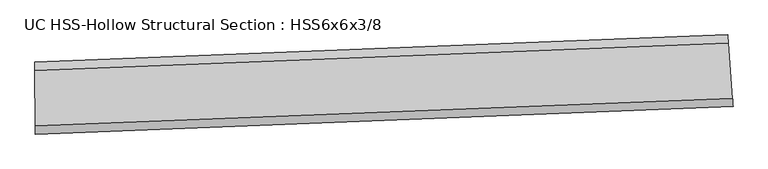
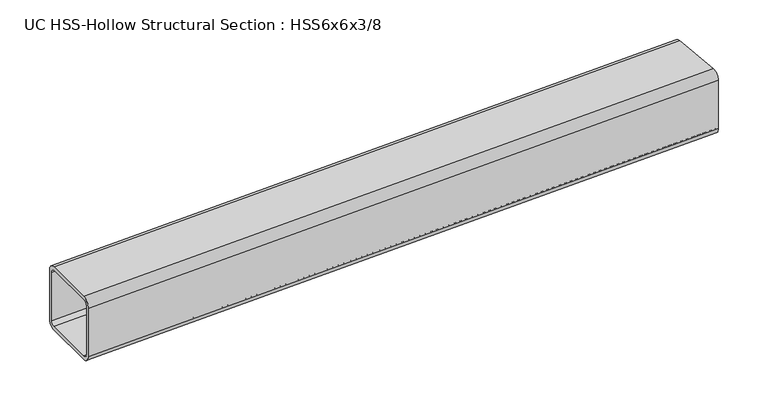
"""IFC4 building model written with IfcOpenShell, lengths in millimetres: beam geometry, UC HSS-Hollow Structural Section : HSS6x6x3/8."""

from ifc_helpers import new_model, si_unit, point, frame, origin, place, context, project, spatial, polyline, circle_curve, ellipse_curve, trimmed, source, transform, mapped, element, save
from ifc_brep_helpers import plane_surface, cylinder_surface, revolved_surface, advanced_brep


def uc_hss_hollow_structural_section_hss6x6x3_8_88c690d4(model_context):
    return source(origin(), model_context, "Body", "AdvancedBrep", [
        advanced_brep(
        [(1545.4474197, -17.8498262, 58.4708), (1545.4474197, -17.8498262, -58.4708), (1544.1105521, -0.1711012, -76.2), (1535.2925887, 116.4375663, -76.2), (1533.9557211, 134.1162913, -58.4708), (1533.9557211, 134.1162913, 58.4708), (1535.2925887, 116.4375663, 76.2), (1544.1105521, -0.1711012, 76.2), (1535.2925887, 116.4375663, 67.3354), (1534.6241549, 125.2769288, 58.4708), (1534.6241549, 125.2769288, -58.4708), (1535.2925887, 116.4375663, -67.3354), (1544.1105521, -0.1711012, -67.3354), (1544.7789859, -9.0104637, -58.4708), (1544.7789859, -9.0104637, 58.4708), (1544.1105521, -0.1711012, 67.3354), (73.5028473, -76.0681972, 58.4708), (73.4392647, -58.3391112, 76.2), (73.0198745, 58.6017368, 76.2), (72.9562919, 76.3308228, 58.4708), (72.9562919, 76.3308228, -58.4708), (73.0198745, 58.6017368, -76.2), (73.4392647, -58.3391112, -76.2), (73.5028473, -76.0681972, -58.4708), (73.0198745, 58.6017368, 67.3354), (73.4392647, -58.3391112, 67.3354), (73.471056, -67.2036542, 58.4708), (73.471056, -67.2036542, -58.4708), (73.4392647, -58.3391112, -67.3354), (73.0198745, 58.6017368, -67.3354), (72.9880832, 67.4662798, -58.4708), (72.9880832, 67.4662798, 58.4708)],
        [
            (0, 1),
            (1, 2, circle_curve(frame((1544.1105521, -0.1711012, -58.4708), z_axis=(0.9971530018999027, 0.07540484601146447, 0.0), x_axis=(-0.07540484601146447, 0.9971530018999027, 0.0)), 17.7292)),
            (2, 3),
            (3, 4, circle_curve(frame((1535.2925887, 116.4375663, -58.4708), z_axis=(0.9971530018999027, 0.07540484601146447, 0.0), x_axis=(-0.07540484601146447, 0.9971530018999027, 0.0)), 17.7292)),
            (4, 5),
            (5, 6, circle_curve(frame((1535.2925887, 116.4375663, 58.4708), z_axis=(0.9971530018999027, 0.07540484601146447, 0.0), x_axis=(-0.07540484601146447, 0.9971530018999027, 0.0)), 17.7292)),
            (6, 7),
            (7, 0, circle_curve(frame((1544.1105521, -0.1711012, 58.4708), z_axis=(0.9971530018999027, 0.07540484601146447, 0.0), x_axis=(-0.07540484601146447, 0.9971530018999027, 0.0)), 17.7292)),
            (8, 9, circle_curve(frame((1535.2925887, 116.4375663, 58.4708), z_axis=(-0.9971530018999027, -0.07540484601146447, 0.0), x_axis=(-0.07540484601146447, 0.9971530018999027, 0.0)), 8.8646)),
            (9, 10),
            (10, 11, circle_curve(frame((1535.2925887, 116.4375663, -58.4708), z_axis=(-0.9971530018999027, -0.07540484601146447, 0.0), x_axis=(-0.07540484601146447, 0.9971530018999027, 0.0)), 8.8646)),
            (11, 12),
            (12, 13, circle_curve(frame((1544.1105521, -0.1711012, -58.4708), z_axis=(-0.9971530018999027, -0.07540484601146447, 0.0), x_axis=(-0.07540484601146447, 0.9971530018999027, 0.0)), 8.8646)),
            (13, 14),
            (14, 15, circle_curve(frame((1544.1105521, -0.1711012, 58.4708), z_axis=(-0.9971530018999027, -0.07540484601146447, 0.0), x_axis=(-0.07540484601146447, 0.9971530018999027, 0.0)), 8.8646)),
            (15, 8),
            (16, 17, circle_curve(frame((73.4392647, -58.3391112, 58.4708), z_axis=(-0.9999935691293671, -0.0035863212223364166, 0.0), x_axis=(-0.0035863212223364166, 0.9999935691293671, 0.0)), 17.7292)),
            (17, 18),
            (18, 19, circle_curve(frame((73.0198745, 58.6017368, 58.4708), z_axis=(-0.9999935691293671, -0.0035863212223364166, 0.0), x_axis=(-0.0035863212223364166, 0.9999935691293671, 0.0)), 17.7292)),
            (19, 20),
            (20, 21, circle_curve(frame((73.0198745, 58.6017368, -58.4708), z_axis=(-0.9999935691293671, -0.0035863212223364166, 0.0), x_axis=(-0.0035863212223364166, 0.9999935691293671, 0.0)), 17.7292)),
            (21, 22),
            (22, 23, circle_curve(frame((73.4392647, -58.3391112, -58.4708), z_axis=(-0.9999935691293671, -0.0035863212223364166, 0.0), x_axis=(-0.0035863212223364166, 0.9999935691293671, 0.0)), 17.7292)),
            (23, 16),
            (24, 25),
            (25, 26, circle_curve(frame((73.4392647, -58.3391112, 58.4708), z_axis=(0.9999935691293671, 0.0035863212223364166, 0.0), x_axis=(-0.0035863212223364166, 0.9999935691293671, 0.0)), 8.8646)),
            (26, 27),
            (27, 28, circle_curve(frame((73.4392647, -58.3391112, -58.4708), z_axis=(0.9999935691293671, 0.0035863212223364166, 0.0), x_axis=(-0.0035863212223364166, 0.9999935691293671, 0.0)), 8.8646)),
            (28, 29),
            (29, 30, circle_curve(frame((73.0198745, 58.6017368, -58.4708), z_axis=(0.9999935691293671, 0.0035863212223364166, 0.0), x_axis=(-0.0035863212223364166, 0.9999935691293671, 0.0)), 8.8646)),
            (30, 31),
            (31, 24, circle_curve(frame((73.0198745, 58.6017368, 58.4708), z_axis=(0.9999935691293671, 0.0035863212223364166, 0.0), x_axis=(-0.0035863212223364166, 0.9999935691293671, 0.0)), 8.8646)),
            (7, 17, circle_curve(frame((0.0, 20419.1328788, 76.2), z_axis=(0.0, 0.0, -1.0), x_axis=(-0.09625855551847158, 0.9953563635650788, 0.0)), 20477.6036788)),
            (16, 0, circle_curve(frame((0.0, 20419.1328788, 58.4708), z_axis=(0.0, 0.0, 1.0), x_axis=(-0.09625855551847158, 0.9953563635650788, 0.0)), 20495.3328788)),
            (6, 18, circle_curve(frame((0.0, 20419.1328788, 76.2), z_axis=(0.0, 0.0, -1.0), x_axis=(-0.09625855551847158, 0.9953563635650788, 0.0)), 20360.6620788)),
            (5, 19, circle_curve(frame((0.0, 20419.1328788, 58.4708), z_axis=(0.0, 0.0, -1.0), x_axis=(-0.09625855551847158, 0.9953563635650788, 0.0)), 20342.9328788)),
            (4, 20, circle_curve(frame((0.0, 20419.1328788, -58.4708), z_axis=(0.0, 0.0, -1.0), x_axis=(-0.09625855551847158, 0.9953563635650788, 0.0)), 20342.9328788)),
            (3, 21, circle_curve(frame((0.0, 20419.1328788, -76.2), z_axis=(0.0, 0.0, -1.0), x_axis=(-0.09625855551847158, 0.9953563635650788, 0.0)), 20360.6620788)),
            (2, 22, circle_curve(frame((0.0, 20419.1328788, -76.2), z_axis=(0.0, 0.0, -1.0), x_axis=(-0.09625855551847158, 0.9953563635650788, 0.0)), 20477.6036788)),
            (1, 23, circle_curve(frame((0.0, 20419.1328788, -58.4708), z_axis=(0.0, 0.0, -1.0), x_axis=(-0.09625855551847158, 0.9953563635650788, 0.0)), 20495.3328788)),
            (15, 25, circle_curve(frame((0.0, 20419.1328788, 67.3354), z_axis=(0.0, 0.0, -1.0), x_axis=(-0.09625855551847158, 0.9953563635650788, 0.0)), 20477.6036788)),
            (24, 8, circle_curve(frame((0.0, 20419.1328788, 67.3354), z_axis=(0.0, 0.0, 1.0), x_axis=(-0.09625855551847158, 0.9953563635650788, 0.0)), 20360.6620788)),
            (14, 26, circle_curve(frame((0.0, 20419.1328788, 58.4708), z_axis=(0.0, 0.0, -1.0), x_axis=(-0.09625855551847158, 0.9953563635650788, 0.0)), 20486.4682788)),
            (13, 27, circle_curve(frame((0.0, 20419.1328788, -58.4708), z_axis=(0.0, 0.0, -1.0), x_axis=(-0.09625855551847158, 0.9953563635650788, 0.0)), 20486.4682788)),
            (12, 28, circle_curve(frame((0.0, 20419.1328788, -67.3354), z_axis=(0.0, 0.0, -1.0), x_axis=(-0.09625855551847158, 0.9953563635650788, 0.0)), 20477.6036788)),
            (11, 29, circle_curve(frame((0.0, 20419.1328788, -67.3354), z_axis=(0.0, 0.0, -1.0), x_axis=(-0.09625855551847158, 0.9953563635650788, 0.0)), 20360.6620788)),
            (10, 30, circle_curve(frame((0.0, 20419.1328788, -58.4708), z_axis=(0.0, 0.0, -1.0), x_axis=(-0.09625855551847158, 0.9953563635650788, 0.0)), 20351.7974788)),
            (9, 31, circle_curve(frame((0.0, 20419.1328788, 58.4708), z_axis=(0.0, 0.0, -1.0), x_axis=(-0.09625855551847158, 0.9953563635650788, 0.0)), 20351.7974788)),
        ],
        [
            plane_surface(frame((1539.7015704, 58.1332325, 0.0), z_axis=(0.9971530018999022, 0.07540484601147089, 0.0), x_axis=(0.0, 0.0, 1.0))),
            plane_surface(frame((73.2295696, 0.1313128, 0.0), z_axis=(-0.9999935691293671, -0.003586321222342883, 0.0), x_axis=(0.0, 0.0, 1.0))),
            revolved_surface(trimmed(ellipse_curve(frame((-1971.1445506, 40801.6460111, 58.4708), z_axis=(-0.9953563635650794, -0.0962585555184656, 0.0), x_axis=(0.0962585555184656, -0.9953563635650794, 0.0)), 17.7292, 17.7292), [point((-1971.1445506, 40801.6460111, 76.2))], [point((-1972.8511378, 40819.2928831, 58.4708))], True, "CARTESIAN"), (0.0, 20419.1328788, 0.0), (0.0, 0.0, -1.0000000000000002)),
            plane_surface(frame((0.0, 20419.1328788, 76.2), z_axis=(0.0, 0.0, 1.0000000000000002), x_axis=(-0.09625855551847158, 0.9953563635650788, 0.0))),
            revolved_surface(trimmed(ellipse_curve(frame((-1959.8879211, 40685.2474453, 58.4708), z_axis=(-0.9953563635650794, -0.0962585555184656, 0.0), x_axis=(0.0962585555184656, -0.9953563635650794, 0.0)), 17.7292, 17.7292), [point((-1958.1813339, 40667.6005733, 58.4708))], [point((-1959.8879211, 40685.2474453, 76.2))], True, "CARTESIAN"), (0.0, 20419.1328788, 0.0), (0.0, 0.0, -1.0000000000000002)),
            revolved_surface(polyline([(-1958.1813339225105, 40667.600573290845, -58.470800000000025), (-1958.1813339225105, 40667.600573290845, 58.470800000000025)]), (0.0, 20419.1328788, 0.0), (0.0, 0.0, -1.0000000000000002)),
            revolved_surface(trimmed(ellipse_curve(frame((-1959.8879211, 40685.2474453, -58.4708), z_axis=(-0.9953563635650794, -0.0962585555184656, 0.0), x_axis=(0.0962585555184656, -0.9953563635650794, 0.0)), 17.7292, 17.7292), [point((-1959.8879211, 40685.2474453, -76.2))], [point((-1958.1813339, 40667.6005733, -58.4708))], True, "CARTESIAN"), (0.0, 20419.1328788, 0.0), (0.0, 0.0, -1.0000000000000002)),
            plane_surface(frame((0.0, 20419.1328788, -76.2), z_axis=(0.0, 0.0, -1.0000000000000002), x_axis=(-0.09625855551847158, 0.9953563635650788, 0.0))),
            revolved_surface(trimmed(ellipse_curve(frame((-1971.1445506, 40801.6460111, -58.4708), z_axis=(-0.9953563635650794, -0.0962585555184656, 0.0), x_axis=(0.0962585555184656, -0.9953563635650794, 0.0)), 17.7292, 17.7292), [point((-1972.8511378, 40819.2928831, -58.4708))], [point((-1971.1445506, 40801.6460111, -76.2))], True, "CARTESIAN"), (0.0, 20419.1328788, 0.0), (0.0, 0.0, -1.0000000000000002)),
            cylinder_surface(frame((0.0, 20419.1328788, 0.0), z_axis=(0.0, 0.0, -1.0000000000000002), x_axis=(-0.09625855551847158, 0.9953563635650788, 0.0)), 20495.3328788),
            plane_surface(frame((0.0, 20419.1328788, 67.3354), z_axis=(0.0, 0.0, -1.0000000000000002), x_axis=(-0.09625855551847158, 0.9953563635650788, 0.0))),
            revolved_surface(trimmed(ellipse_curve(frame((-1971.1445506, 40801.6460111, 58.4708), z_axis=(0.9953563635650794, 0.0962585555184656, 0.0), x_axis=(0.0962585555184656, -0.9953563635650794, 0.0)), 8.8646, 8.8646), [point((-1971.9978442, 40810.4694471, 58.4708))], [point((-1971.1445506, 40801.6460111, 67.3354))], True, "CARTESIAN"), (0.0, 20419.1328788, 0.0), (0.0, 0.0, -1.0000000000000002)),
            revolved_surface(polyline([(-1971.9978441922767, 40810.4694470777, -58.470800000000025), (-1971.9978441922767, 40810.4694470777, 58.470800000000025)]), (0.0, 20419.1328788, 0.0), (0.0, 0.0, -1.0000000000000002)),
            revolved_surface(trimmed(ellipse_curve(frame((-1971.1445506, 40801.6460111, -58.4708), z_axis=(0.9953563635650794, 0.0962585555184656, 0.0), x_axis=(0.0962585555184656, -0.9953563635650794, 0.0)), 8.8646, 8.8646), [point((-1971.1445506, 40801.6460111, -67.3354))], [point((-1971.9978442, 40810.4694471, -58.4708))], True, "CARTESIAN"), (0.0, 20419.1328788, 0.0), (0.0, 0.0, -1.0000000000000002)),
            plane_surface(frame((0.0, 20419.1328788, -67.3354), z_axis=(0.0, 0.0, 1.0000000000000002), x_axis=(-0.09625855551847158, 0.9953563635650788, 0.0))),
            revolved_surface(trimmed(ellipse_curve(frame((-1959.8879211, 40685.2474453, -58.4708), z_axis=(0.9953563635650794, 0.0962585555184656, 0.0), x_axis=(0.0962585555184656, -0.9953563635650794, 0.0)), 8.8646, 8.8646), [point((-1959.0346275, 40676.4240093, -58.4708))], [point((-1959.8879211, 40685.2474453, -67.3354))], True, "CARTESIAN"), (0.0, 20419.1328788, 0.0), (0.0, 0.0, -1.0000000000000002)),
            cylinder_surface(frame((0.0, 20419.1328788, 0.0), z_axis=(0.0, 0.0, -1.0000000000000002), x_axis=(-0.09625855551847158, 0.9953563635650788, 0.0)), 20351.7974788),
            revolved_surface(trimmed(ellipse_curve(frame((-1959.8879211, 40685.2474453, 58.4708), z_axis=(0.9953563635650794, 0.0962585555184656, 0.0), x_axis=(0.0962585555184656, -0.9953563635650794, 0.0)), 8.8646, 8.8646), [point((-1959.8879211, 40685.2474453, 67.3354))], [point((-1959.0346275, 40676.4240093, 58.4708))], True, "CARTESIAN"), (0.0, 20419.1328788, 0.0), (0.0, 0.0, -1.0000000000000002)),
        ],
        [
            (0, [[1, 2, 3, 4, 5, 6, 7, 8], [9, 10, 11, 12, 13, 14, 15, 16]]),
            (1, [[17, 18, 19, 20, 21, 22, 23, 24], [25, 26, 27, 28, 29, 30, 31, 32]]),
            (2, [[33, -17, 34, -8]]),
            (3, [[35, -18, -33, -7]]),
            (4, [[36, -19, -35, -6]]),
            (5, [[37, -20, -36, -5]]),
            (6, [[38, -21, -37, -4]]),
            (7, [[39, -22, -38, -3]]),
            (8, [[40, -23, -39, -2]]),
            (9, [[-34, -24, -40, -1]]),
            (10, [[41, -25, 42, -16]]),
            (11, [[43, -26, -41, -15]]),
            (12, [[44, -27, -43, -14]]),
            (13, [[45, -28, -44, -13]]),
            (14, [[46, -29, -45, -12]]),
            (15, [[47, -30, -46, -11]]),
            (16, [[48, -31, -47, -10]]),
            (17, [[-42, -32, -48, -9]]),
        ],
    ),
    ])


if __name__ == "__main__":
    model = new_model("IFC4")
    model_context = context("Model", 3, world=origin())
    ifc_project = project(units=[si_unit("LENGTHUNIT", "METRE", prefix="MILLI")], contexts=[model_context])
    site = spatial("IfcSite", under=ifc_project)
    building = spatial("IfcBuilding", under=site)
    placement = place(None, origin())
    uc_hss_hollow_structural_section_hss6x6x3_8_shape = uc_hss_hollow_structural_section_hss6x6x3_8_88c690d4(model_context)
    element("IfcBeam", 1, ObjectType="UC HSS-Hollow Structural Section : HSS6x6x3/8", at=placement, inside=building, context=model_context, shape_type="MappedRepresentation", body=[
        mapped(uc_hss_hollow_structural_section_hss6x6x3_8_shape, transform((0.0, 0.0, 0.0), x_axis=(1.0, 0.0, 0.0), y_axis=(0.0, 1.0, 0.0), z_axis=(0.0, 0.0, 1.0))),
    ])
    save(model, "model.ifc")
